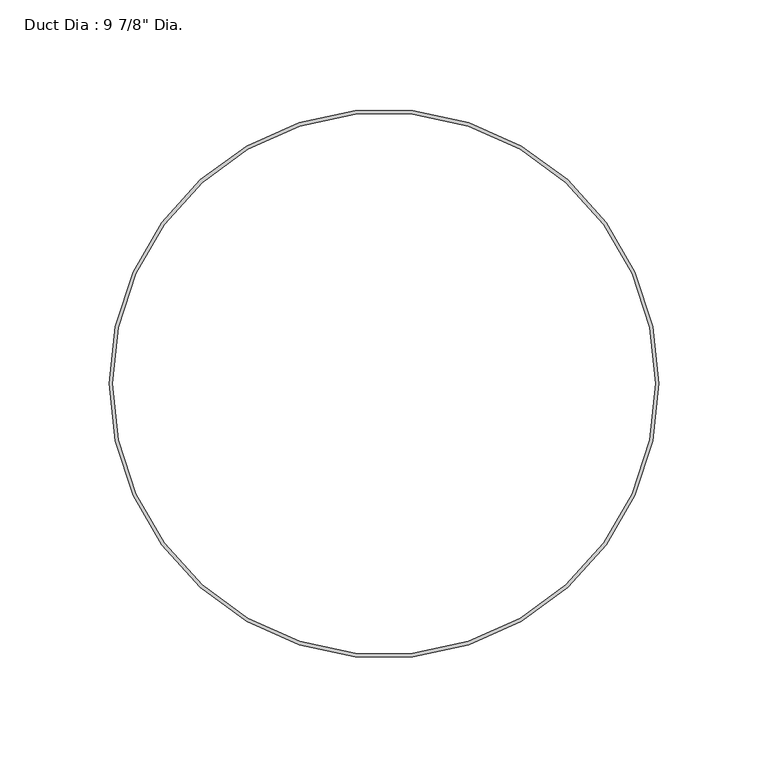
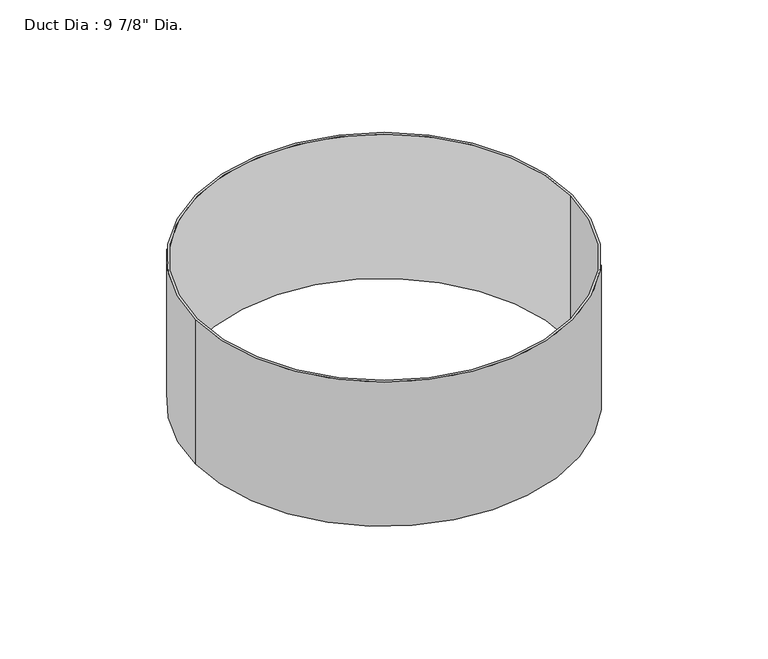
"""IFC4 building model written with IfcOpenShell, lengths in millimetres: proxy geometry."""

from ifc_helpers import new_model, si_unit, point, origin, origin_with_axes, origin_2d, place, context, project, spatial, circle_curve, trimmed, segment, composite_curve, outline, extrude, source, transform, mapped, element, save


def proxy_41967977(model_context):
    return source(origin(), model_context, "Body", "SweptSolid", [
        extrude(outline(composite_curve([segment(trimmed(circle_curve(origin_2d(), 125.4125), [point((-125.4125, 0.0))], [point((125.4125, 0.0))], False, "CARTESIAN"), True, "CONTINUOUS"), segment(trimmed(circle_curve(origin_2d(), 125.4125), [point((125.4125, 0.0))], [point((-125.4125, 0.0))], False, "CARTESIAN"), True, "CONTINUOUS")], self_intersect=False), holes=[composite_curve([segment(trimmed(circle_curve(origin_2d(), 123.825), [point((-123.825, 0.0))], [point((123.825, 0.0))], True, "CARTESIAN"), True, "CONTINUOUS"), segment(trimmed(circle_curve(origin_2d(), 123.825), [point((123.825, 0.0))], [point((-123.825, 0.0))], True, "CARTESIAN"), True, "CONTINUOUS")], self_intersect=False)]), origin_with_axes(), (0.0, 0.0, 1.0), 101.6),
    ])


if __name__ == "__main__":
    model = new_model("IFC4")
    model_context = context("Model", 3, world=origin())
    ifc_project = project(units=[si_unit("LENGTHUNIT", "METRE", prefix="MILLI")], contexts=[model_context])
    site = spatial("IfcSite", under=ifc_project)
    building = spatial("IfcBuilding", under=site)
    placement = place(None, origin())
    proxy_shape = proxy_41967977(model_context)
    element("IfcBuildingElementProxy", 1, Name="Duct Dia : 9 7/8\" Dia.", ObjectType="Duct Dia : 9 7/8\" Dia.", at=placement, inside=building, context=model_context, shape_type="MappedRepresentation", body=[
        mapped(proxy_shape, transform((0.0, 0.0, 0.0), x_axis=(1.0, 0.0, 0.0), y_axis=(0.0, 1.0, 0.0), z_axis=(0.0, 0.0, 1.0))),
    ])
    save(model, "model.ifc")
